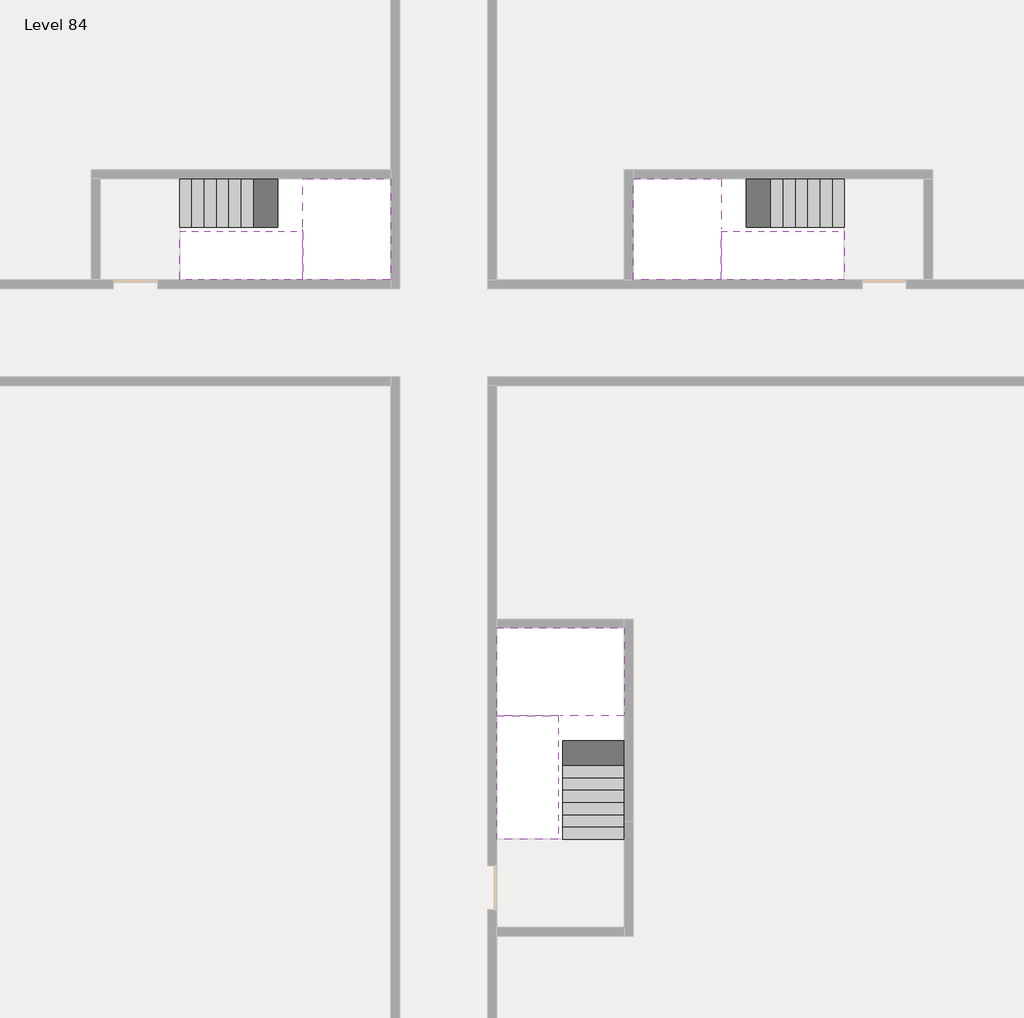
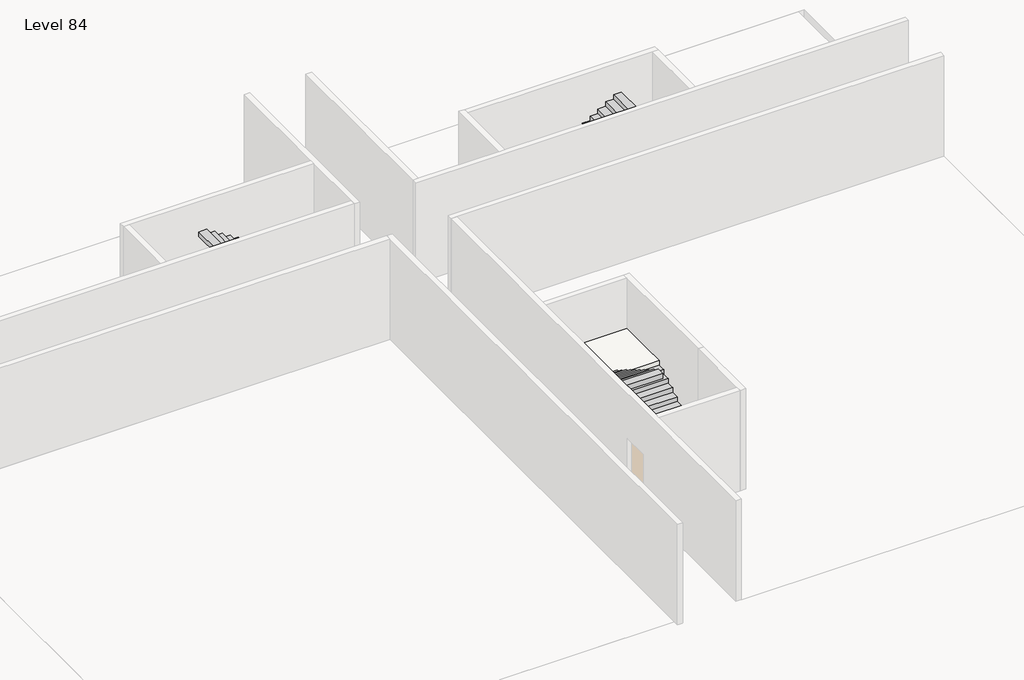
# One storey, part 2 of 2: 6 stair flights, 3 slabs.
"""IFC4 building model written with IfcOpenShell, lengths in millimetres."""

from ifc_helpers import new_model, si_unit, origin, place, context, project, spatial, faceted_brep, element, save

model = new_model("IFC4")

# Units and contexts
model_context = context("Model", 3, world=origin())
ifc_project = project(units=[si_unit("LENGTHUNIT", "METRE", prefix="MILLI")], contexts=[model_context])

# Site, building, storey
site = spatial("IfcSite", under=ifc_project)
building = spatial("IfcBuilding", under=site)
storey = spatial("IfcBuildingStorey", under=building, Name="Level 84", Elevation=315400.0)

# Slabs
placement = place(None, origin())
element("IfcSlab", 1, at=placement, inside=storey, context=model_context, shape_type="Brep", body=[
    faceted_brep([(26890.1058784, -40418.09644, 317300.0), (28290.1058784, -40418.09644, 317300.0), (28290.1058784, -40338.7100038, 317300.0), (28290.1058784, -38418.09644, 317300.0), (25390.1058784, -38418.09644, 317300.0), (25390.1058784, -40217.4828763, 317300.0), (25390.1058784, -40418.09644, 317300.0), (26790.1058784, -40418.09644, 317300.0), (26890.1058784, -40418.09644, 317000.0), (26890.1058784, -40418.09644, 316951.0278478), (28290.1058784, -40418.09644, 316951.0278478), (28290.1058784, -40418.09644, 317127.2727273), (28290.1058784, -40338.7100038, 317000.0), (28290.1058784, -38418.09644, 317000.0), (25390.1058784, -38418.09644, 317000.0), (25390.1058784, -40217.4828763, 317000.0), (25390.1058784, -40418.09644, 317123.7551205), (26790.1058784, -40418.09644, 317123.7551205), (26790.1058784, -40418.09644, 317000.0), (26790.1058784, -40217.4828763, 317000.0), (26890.1058784, -40338.7100038, 317000.0)], [[[0, 1, 2, 3, 4, 5, 6, 7]], [[1, 0, 8, 9, 10, 11]], [[1, 11, 10, 12, 13, 3, 2]], [[4, 3, 13, 14]], [[4, 14, 15, 16, 6, 5]], [[7, 6, 16, 17]], [[0, 7, 17, 18, 8]], [[18, 19, 15, 14, 13, 12, 20, 8]], [[19, 18, 17]], [[20, 12, 10, 9]], [[8, 20, 9]], [[15, 19, 17, 16]]]),
])
element("IfcSlab", 2, at=placement, inside=storey, context=model_context, shape_type="Brep", body=[
    faceted_brep([(20990.1058784, -28218.09644, 317300.0), (20990.1058784, -29318.09644, 317300.0), (20990.1058784, -29418.09644, 317300.0), (20990.1058784, -30518.09644, 317300.0), (21190.7194421, -30518.09644, 317300.0), (22990.1058784, -30518.09644, 317300.0), (22990.1058784, -28218.09644, 317300.0), (21069.4923146, -28218.09644, 317300.0), (20990.1058784, -28218.09644, 317127.2727273), (20990.1058784, -28218.09644, 316951.0278478), (20990.1058784, -29318.09644, 316951.0278478), (20990.1058784, -29318.09644, 317000.0), (20990.1058784, -29418.09644, 317000.0), (20990.1058784, -29418.09644, 317123.7551205), (20990.1058784, -30518.09644, 317123.7551205), (21190.7194421, -30518.09644, 317000.0), (22990.1058784, -30518.09644, 317000.0), (22990.1058784, -28218.09644, 317000.0), (21069.4923146, -28218.09644, 317000.0), (21190.7194421, -29418.09644, 317000.0), (21069.4923146, -29318.09644, 317000.0)], [[[0, 1, 2, 3, 4, 5, 6, 7]], [[1, 0, 8, 9, 10, 11]], [[2, 1, 11, 12, 13]], [[3, 2, 13, 14]], [[3, 14, 15, 16, 5, 4]], [[6, 5, 16, 17]], [[9, 8, 0, 7, 6, 17, 18]], [[19, 12, 11, 20, 18, 17, 16, 15]], [[12, 19, 13]], [[18, 20, 10, 9]], [[20, 11, 10]], [[19, 15, 14, 13]]]),
])
element("IfcSlab", 3, at=placement, inside=storey, context=model_context, shape_type="Brep", body=[
    faceted_brep([(30490.1058784, -29318.09644, 317300.0), (30490.1058784, -28218.09644, 317300.0), (30410.7194421, -28218.09644, 317300.0), (28490.1058784, -28218.09644, 317300.0), (28490.1058784, -30518.09644, 317300.0), (30289.4923146, -30518.09644, 317300.0), (30490.1058784, -30518.09644, 317300.0), (30490.1058784, -29418.09644, 317300.0), (30490.1058784, -29318.09644, 317000.0), (30490.1058784, -29318.09644, 316951.0278478), (30490.1058784, -28218.09644, 316951.0278478), (30490.1058784, -28218.09644, 317127.2727273), (30490.1058784, -29418.09644, 317123.7551205), (30490.1058784, -29418.09644, 317000.0), (30490.1058784, -30518.09644, 317123.7551205), (28490.1058784, -30518.09644, 317000.0), (30289.4923146, -30518.09644, 317000.0), (28490.1058784, -28218.09644, 317000.0), (30410.7194421, -28218.09644, 317000.0), (30289.4923146, -29418.09644, 317000.0), (30410.7194421, -29318.09644, 317000.0)], [[[0, 1, 2, 3, 4, 5, 6, 7]], [[1, 0, 8, 9, 10, 11]], [[0, 7, 12, 13, 8]], [[7, 6, 14, 12]], [[4, 15, 16, 14, 6, 5]], [[4, 3, 17, 15]], [[1, 11, 10, 18, 17, 3, 2]], [[13, 19, 16, 15, 17, 18, 20, 8]], [[20, 18, 10, 9]], [[8, 20, 9]], [[16, 19, 12, 14]], [[19, 13, 12]]]),
])

# Stair flights
element("IfcStairFlight", 4, at=placement, inside=storey, context=model_context, shape_type="Brep", body=[
    faceted_brep([(26890.1058784, -42938.09644, 315572.7272727), (26890.1058784, -43218.09644, 315572.7272727), (28290.1058784, -43218.09644, 315572.7272727), (28290.1058784, -42938.09644, 315572.7272727), (26890.1058784, -42938.09644, 315400.0), (26890.1058784, -43218.09644, 315400.0), (28290.1058784, -43218.09644, 315400.0), (28290.1058784, -42938.09644, 315400.0), (26890.1058784, -42658.09644, 315745.4545455), (26890.1058784, -42938.09644, 315745.4545455), (28290.1058784, -42938.09644, 315745.4545455), (28290.1058784, -42658.09644, 315745.4545455), (26890.1058784, -42658.09644, 315569.209666), (26890.1058784, -42932.3942143, 315400.0), (28290.1058784, -42932.3942143, 315400.0), (28290.1058784, -42658.09644, 315569.209666), (26890.1058784, -42378.09644, 315918.1818182), (26890.1058784, -42658.09644, 315918.1818182), (28290.1058784, -42658.09644, 315918.1818182), (28290.1058784, -42378.09644, 315918.1818182), (26890.1058784, -42378.09644, 315741.9369387), (28290.1058784, -42378.09644, 315741.9369387), (26890.1058784, -42098.09644, 316090.9090909), (26890.1058784, -42378.09644, 316090.9090909), (28290.1058784, -42378.09644, 316090.9090909), (28290.1058784, -42098.09644, 316090.9090909), (26890.1058784, -42098.09644, 315914.6642114), (28290.1058784, -42098.09644, 315914.6642114), (26890.1058784, -41818.09644, 316263.6363636), (26890.1058784, -42098.09644, 316263.6363636), (28290.1058784, -42098.09644, 316263.6363636), (28290.1058784, -41818.09644, 316263.6363636), (26890.1058784, -41818.09644, 316087.3914841), (28290.1058784, -41818.09644, 316087.3914841), (26890.1058784, -41538.09644, 316436.3636364), (26890.1058784, -41818.09644, 316436.3636364), (28290.1058784, -41818.09644, 316436.3636364), (28290.1058784, -41538.09644, 316436.3636364), (26890.1058784, -41538.09644, 316260.1187569), (28290.1058784, -41538.09644, 316260.1187569), (26890.1058784, -41258.09644, 316609.0909091), (26890.1058784, -41538.09644, 316609.0909091), (28290.1058784, -41538.09644, 316609.0909091), (28290.1058784, -41258.09644, 316609.0909091), (26890.1058784, -41258.09644, 316432.8460296), (28290.1058784, -41258.09644, 316432.8460296), (26890.1058784, -40978.09644, 316781.8181818), (26890.1058784, -41258.09644, 316781.8181818), (28290.1058784, -41258.09644, 316781.8181818), (28290.1058784, -40978.09644, 316781.8181818), (26890.1058784, -40978.09644, 316605.5733023), (28290.1058784, -40978.09644, 316605.5733023), (26890.1058784, -40698.09644, 316954.5454545), (26890.1058784, -40978.09644, 316954.5454545), (28290.1058784, -40978.09644, 316954.5454545), (28290.1058784, -40698.09644, 316954.5454545), (26890.1058784, -40698.09644, 316778.3005751), (28290.1058784, -40698.09644, 316778.3005751), (26890.1058784, -40418.09644, 317127.2727273), (26890.1058784, -40698.09644, 317127.2727273), (28290.1058784, -40698.09644, 317127.2727273), (28290.1058784, -40418.09644, 317127.2727273), (26890.1058784, -40418.09644, 317000.0), (26890.1058784, -40418.09644, 316951.0278478), (28290.1058784, -40418.09644, 316951.0278478)], [[[0, 1, 2, 3]], [[1, 0, 4, 5]], [[2, 1, 5, 6]], [[3, 2, 6, 7]], [[8, 9, 10, 11]], [[4, 0, 9, 8, 12, 13]], [[0, 3, 10, 9]], [[3, 7, 14, 15, 11, 10]], [[16, 17, 18, 19]], [[17, 16, 20, 12, 8]], [[8, 11, 18, 17]], [[19, 18, 11, 15, 21]], [[22, 23, 24, 25]], [[23, 22, 26, 20, 16]], [[16, 19, 24, 23]], [[25, 24, 19, 21, 27]], [[28, 29, 30, 31]], [[29, 28, 32, 26, 22]], [[22, 25, 30, 29]], [[31, 30, 25, 27, 33]], [[34, 35, 36, 37]], [[35, 34, 38, 32, 28]], [[28, 31, 36, 35]], [[37, 36, 31, 33, 39]], [[40, 41, 42, 43]], [[41, 40, 44, 38, 34]], [[34, 37, 42, 41]], [[43, 42, 37, 39, 45]], [[46, 47, 48, 49]], [[47, 46, 50, 44, 40]], [[40, 43, 48, 47]], [[49, 48, 43, 45, 51]], [[52, 53, 54, 55]], [[53, 52, 56, 50, 46]], [[46, 49, 54, 53]], [[55, 54, 49, 51, 57]], [[58, 59, 60, 61]], [[59, 58, 62, 63, 56, 52]], [[52, 55, 60, 59]], [[61, 60, 55, 57, 64]], [[58, 61, 64, 63, 62]], [[5, 4, 13, 14, 7, 6]], [[14, 13, 12, 20, 26, 32, 38, 44, 50, 56, 63, 64, 57, 51, 45, 39, 33, 27, 21, 15]]]),
])
element("IfcStairFlight", 5, at=placement, inside=storey, context=model_context, shape_type="Brep", body=[
    faceted_brep([(26790.1058784, -40698.09644, 317472.7272727), (26790.1058784, -40418.09644, 317472.7272727), (25390.1058784, -40418.09644, 317472.7272727), (25390.1058784, -40698.09644, 317472.7272727), (26790.1058784, -40698.09644, 317296.4823932), (26790.1058784, -40418.09644, 317123.7551205), (25390.1058784, -40418.09644, 317123.7551205), (25390.1058784, -40418.09644, 317300.0), (25390.1058784, -40698.09644, 317296.4823932), (26790.1058784, -40978.09644, 317645.4545455), (26790.1058784, -40698.09644, 317645.4545455), (25390.1058784, -40698.09644, 317645.4545455), (25390.1058784, -40978.09644, 317645.4545455), (26790.1058784, -40978.09644, 317469.209666), (25390.1058784, -40978.09644, 317469.209666), (26790.1058784, -41258.09644, 317818.1818182), (26790.1058784, -40978.09644, 317818.1818182), (25390.1058784, -40978.09644, 317818.1818182), (25390.1058784, -41258.09644, 317818.1818182), (26790.1058784, -41258.09644, 317641.9369387), (25390.1058784, -41258.09644, 317641.9369387), (26790.1058784, -41538.09644, 317990.9090909), (26790.1058784, -41258.09644, 317990.9090909), (25390.1058784, -41258.09644, 317990.9090909), (25390.1058784, -41538.09644, 317990.9090909), (26790.1058784, -41538.09644, 317814.6642114), (25390.1058784, -41538.09644, 317814.6642114), (26790.1058784, -41818.09644, 318163.6363636), (26790.1058784, -41538.09644, 318163.6363636), (25390.1058784, -41538.09644, 318163.6363636), (25390.1058784, -41818.09644, 318163.6363636), (26790.1058784, -41818.09644, 317987.3914841), (25390.1058784, -41818.09644, 317987.3914841), (26790.1058784, -42098.09644, 318336.3636364), (26790.1058784, -41818.09644, 318336.3636364), (25390.1058784, -41818.09644, 318336.3636364), (25390.1058784, -42098.09644, 318336.3636364), (26790.1058784, -42098.09644, 318160.1187569), (25390.1058784, -42098.09644, 318160.1187569), (26790.1058784, -42378.09644, 318509.0909091), (26790.1058784, -42098.09644, 318509.0909091), (25390.1058784, -42098.09644, 318509.0909091), (25390.1058784, -42378.09644, 318509.0909091), (26790.1058784, -42378.09644, 318332.8460296), (25390.1058784, -42378.09644, 318332.8460296), (26790.1058784, -42658.09644, 318681.8181818), (26790.1058784, -42378.09644, 318681.8181818), (25390.1058784, -42378.09644, 318681.8181818), (25390.1058784, -42658.09644, 318681.8181818), (26790.1058784, -42658.09644, 318505.5733023), (25390.1058784, -42658.09644, 318505.5733023), (26790.1058784, -42938.09644, 318854.5454545), (26790.1058784, -42658.09644, 318854.5454545), (25390.1058784, -42658.09644, 318854.5454545), (25390.1058784, -42938.09644, 318854.5454545), (26790.1058784, -42938.09644, 318678.3005751), (25390.1058784, -42938.09644, 318678.3005751), (26790.1058784, -43218.09644, 319027.2727273), (26790.1058784, -42938.09644, 319027.2727273), (25390.1058784, -42938.09644, 319027.2727273), (25390.1058784, -43218.09644, 319027.2727273), (26790.1058784, -43218.09644, 318851.0278478), (25390.1058784, -43218.09644, 318851.0278478)], [[[0, 1, 2, 3]], [[1, 0, 4, 5]], [[2, 1, 5, 6, 7]], [[3, 2, 7, 6, 8]], [[9, 10, 11, 12]], [[10, 9, 13, 4, 0]], [[11, 10, 0, 3]], [[12, 11, 3, 8, 14]], [[15, 16, 17, 18]], [[16, 15, 19, 13, 9]], [[17, 16, 9, 12]], [[18, 17, 12, 14, 20]], [[21, 22, 23, 24]], [[22, 21, 25, 19, 15]], [[23, 22, 15, 18]], [[24, 23, 18, 20, 26]], [[27, 28, 29, 30]], [[28, 27, 31, 25, 21]], [[29, 28, 21, 24]], [[30, 29, 24, 26, 32]], [[33, 34, 35, 36]], [[34, 33, 37, 31, 27]], [[35, 34, 27, 30]], [[36, 35, 30, 32, 38]], [[39, 40, 41, 42]], [[40, 39, 43, 37, 33]], [[41, 40, 33, 36]], [[42, 41, 36, 38, 44]], [[45, 46, 47, 48]], [[46, 45, 49, 43, 39]], [[47, 46, 39, 42]], [[48, 47, 42, 44, 50]], [[51, 52, 53, 54]], [[52, 51, 55, 49, 45]], [[53, 52, 45, 48]], [[54, 53, 48, 50, 56]], [[57, 58, 59, 60]], [[58, 57, 61, 55, 51]], [[59, 58, 51, 54]], [[60, 59, 54, 56, 62]], [[57, 60, 62, 61]], [[5, 4, 13, 19, 25, 31, 37, 43, 49, 55, 61, 62, 56, 50, 44, 38, 32, 26, 20, 14, 8, 6]]]),
])
element("IfcStairFlight", 6, at=placement, inside=storey, context=model_context, shape_type="Brep", body=[
    faceted_brep([(18470.1058784, -28218.09644, 315572.7272727), (18190.1058784, -28218.09644, 315572.7272727), (18190.1058784, -29318.09644, 315572.7272727), (18470.1058784, -29318.09644, 315572.7272727), (18470.1058784, -28218.09644, 315400.0), (18190.1058784, -28218.09644, 315400.0), (18190.1058784, -29318.09644, 315400.0), (18470.1058784, -29318.09644, 315400.0), (18750.1058784, -28218.09644, 315745.4545455), (18470.1058784, -28218.09644, 315745.4545455), (18470.1058784, -29318.09644, 315745.4545455), (18750.1058784, -29318.09644, 315745.4545455), (18750.1058784, -28218.09644, 315569.209666), (18475.8081041, -28218.09644, 315400.0), (18475.8081041, -29318.09644, 315400.0), (18750.1058784, -29318.09644, 315569.209666), (19030.1058784, -28218.09644, 315918.1818182), (18750.1058784, -28218.09644, 315918.1818182), (18750.1058784, -29318.09644, 315918.1818182), (19030.1058784, -29318.09644, 315918.1818182), (19030.1058784, -28218.09644, 315741.9369387), (19030.1058784, -29318.09644, 315741.9369387), (19310.1058784, -28218.09644, 316090.9090909), (19030.1058784, -28218.09644, 316090.9090909), (19030.1058784, -29318.09644, 316090.9090909), (19310.1058784, -29318.09644, 316090.9090909), (19310.1058784, -28218.09644, 315914.6642114), (19310.1058784, -29318.09644, 315914.6642114), (19590.1058784, -28218.09644, 316263.6363636), (19310.1058784, -28218.09644, 316263.6363636), (19310.1058784, -29318.09644, 316263.6363636), (19590.1058784, -29318.09644, 316263.6363636), (19590.1058784, -28218.09644, 316087.3914841), (19590.1058784, -29318.09644, 316087.3914841), (19870.1058784, -28218.09644, 316436.3636364), (19590.1058784, -28218.09644, 316436.3636364), (19590.1058784, -29318.09644, 316436.3636364), (19870.1058784, -29318.09644, 316436.3636364), (19870.1058784, -28218.09644, 316260.1187569), (19870.1058784, -29318.09644, 316260.1187569), (20150.1058784, -28218.09644, 316609.0909091), (19870.1058784, -28218.09644, 316609.0909091), (19870.1058784, -29318.09644, 316609.0909091), (20150.1058784, -29318.09644, 316609.0909091), (20150.1058784, -28218.09644, 316432.8460296), (20150.1058784, -29318.09644, 316432.8460296), (20430.1058784, -28218.09644, 316781.8181818), (20150.1058784, -28218.09644, 316781.8181818), (20150.1058784, -29318.09644, 316781.8181818), (20430.1058784, -29318.09644, 316781.8181818), (20430.1058784, -28218.09644, 316605.5733023), (20430.1058784, -29318.09644, 316605.5733023), (20710.1058784, -28218.09644, 316954.5454545), (20430.1058784, -28218.09644, 316954.5454545), (20430.1058784, -29318.09644, 316954.5454545), (20710.1058784, -29318.09644, 316954.5454545), (20710.1058784, -28218.09644, 316778.3005751), (20710.1058784, -29318.09644, 316778.3005751), (20990.1058784, -28218.09644, 317127.2727273), (20710.1058784, -28218.09644, 317127.2727273), (20710.1058784, -29318.09644, 317127.2727273), (20990.1058784, -29318.09644, 317127.2727273), (20990.1058784, -28218.09644, 316951.0278478), (20990.1058784, -29318.09644, 316951.0278478), (20990.1058784, -29318.09644, 317000.0)], [[[0, 1, 2, 3]], [[1, 0, 4, 5]], [[2, 1, 5, 6]], [[3, 2, 6, 7]], [[8, 9, 10, 11]], [[4, 0, 9, 8, 12, 13]], [[0, 3, 10, 9]], [[3, 7, 14, 15, 11, 10]], [[16, 17, 18, 19]], [[17, 16, 20, 12, 8]], [[8, 11, 18, 17]], [[19, 18, 11, 15, 21]], [[22, 23, 24, 25]], [[23, 22, 26, 20, 16]], [[16, 19, 24, 23]], [[25, 24, 19, 21, 27]], [[28, 29, 30, 31]], [[29, 28, 32, 26, 22]], [[22, 25, 30, 29]], [[31, 30, 25, 27, 33]], [[34, 35, 36, 37]], [[35, 34, 38, 32, 28]], [[28, 31, 36, 35]], [[37, 36, 31, 33, 39]], [[40, 41, 42, 43]], [[41, 40, 44, 38, 34]], [[34, 37, 42, 41]], [[43, 42, 37, 39, 45]], [[46, 47, 48, 49]], [[47, 46, 50, 44, 40]], [[40, 43, 48, 47]], [[49, 48, 43, 45, 51]], [[52, 53, 54, 55]], [[53, 52, 56, 50, 46]], [[46, 49, 54, 53]], [[55, 54, 49, 51, 57]], [[58, 59, 60, 61]], [[59, 58, 62, 56, 52]], [[52, 55, 60, 59]], [[61, 60, 55, 57, 63, 64]], [[58, 61, 64, 63, 62]], [[5, 4, 13, 14, 7, 6]], [[14, 13, 12, 20, 26, 32, 38, 44, 50, 56, 62, 63, 57, 51, 45, 39, 33, 27, 21, 15]]]),
])
element("IfcStairFlight", 7, at=placement, inside=storey, context=model_context, shape_type="Brep", body=[
    faceted_brep([(20710.1058784, -30518.09644, 317472.7272727), (20990.1058784, -30518.09644, 317472.7272727), (20990.1058784, -29418.09644, 317472.7272727), (20710.1058784, -29418.09644, 317472.7272727), (20710.1058784, -30518.09644, 317296.4823932), (20990.1058784, -30518.09644, 317123.7551205), (20990.1058784, -30518.09644, 317300.0), (20990.1058784, -29418.09644, 317123.7551205), (20710.1058784, -29418.09644, 317296.4823932), (20430.1058784, -30518.09644, 317645.4545455), (20710.1058784, -30518.09644, 317645.4545455), (20710.1058784, -29418.09644, 317645.4545455), (20430.1058784, -29418.09644, 317645.4545455), (20430.1058784, -30518.09644, 317469.209666), (20430.1058784, -29418.09644, 317469.209666), (20150.1058784, -30518.09644, 317818.1818182), (20430.1058784, -30518.09644, 317818.1818182), (20430.1058784, -29418.09644, 317818.1818182), (20150.1058784, -29418.09644, 317818.1818182), (20150.1058784, -30518.09644, 317641.9369387), (20150.1058784, -29418.09644, 317641.9369387), (19870.1058784, -30518.09644, 317990.9090909), (20150.1058784, -30518.09644, 317990.9090909), (20150.1058784, -29418.09644, 317990.9090909), (19870.1058784, -29418.09644, 317990.9090909), (19870.1058784, -30518.09644, 317814.6642114), (19870.1058784, -29418.09644, 317814.6642114), (19590.1058784, -30518.09644, 318163.6363636), (19870.1058784, -30518.09644, 318163.6363636), (19870.1058784, -29418.09644, 318163.6363636), (19590.1058784, -29418.09644, 318163.6363636), (19590.1058784, -30518.09644, 317987.3914841), (19590.1058784, -29418.09644, 317987.3914841), (19310.1058784, -30518.09644, 318336.3636364), (19590.1058784, -30518.09644, 318336.3636364), (19590.1058784, -29418.09644, 318336.3636364), (19310.1058784, -29418.09644, 318336.3636364), (19310.1058784, -30518.09644, 318160.1187569), (19310.1058784, -29418.09644, 318160.1187569), (19030.1058784, -30518.09644, 318509.0909091), (19310.1058784, -30518.09644, 318509.0909091), (19310.1058784, -29418.09644, 318509.0909091), (19030.1058784, -29418.09644, 318509.0909091), (19030.1058784, -30518.09644, 318332.8460296), (19030.1058784, -29418.09644, 318332.8460296), (18750.1058784, -30518.09644, 318681.8181818), (19030.1058784, -30518.09644, 318681.8181818), (19030.1058784, -29418.09644, 318681.8181818), (18750.1058784, -29418.09644, 318681.8181818), (18750.1058784, -30518.09644, 318505.5733023), (18750.1058784, -29418.09644, 318505.5733023), (18470.1058784, -30518.09644, 318854.5454545), (18750.1058784, -30518.09644, 318854.5454545), (18750.1058784, -29418.09644, 318854.5454545), (18470.1058784, -29418.09644, 318854.5454545), (18470.1058784, -30518.09644, 318678.3005751), (18470.1058784, -29418.09644, 318678.3005751), (18190.1058784, -30518.09644, 319027.2727273), (18470.1058784, -30518.09644, 319027.2727273), (18470.1058784, -29418.09644, 319027.2727273), (18190.1058784, -29418.09644, 319027.2727273), (18190.1058784, -30518.09644, 318851.0278478), (18190.1058784, -29418.09644, 318851.0278478)], [[[0, 1, 2, 3]], [[1, 0, 4, 5, 6]], [[2, 1, 6, 5, 7]], [[3, 2, 7, 8]], [[9, 10, 11, 12]], [[10, 9, 13, 4, 0]], [[11, 10, 0, 3]], [[12, 11, 3, 8, 14]], [[15, 16, 17, 18]], [[16, 15, 19, 13, 9]], [[17, 16, 9, 12]], [[18, 17, 12, 14, 20]], [[21, 22, 23, 24]], [[22, 21, 25, 19, 15]], [[23, 22, 15, 18]], [[24, 23, 18, 20, 26]], [[27, 28, 29, 30]], [[28, 27, 31, 25, 21]], [[29, 28, 21, 24]], [[30, 29, 24, 26, 32]], [[33, 34, 35, 36]], [[34, 33, 37, 31, 27]], [[35, 34, 27, 30]], [[36, 35, 30, 32, 38]], [[39, 40, 41, 42]], [[40, 39, 43, 37, 33]], [[41, 40, 33, 36]], [[42, 41, 36, 38, 44]], [[45, 46, 47, 48]], [[46, 45, 49, 43, 39]], [[47, 46, 39, 42]], [[48, 47, 42, 44, 50]], [[51, 52, 53, 54]], [[52, 51, 55, 49, 45]], [[53, 52, 45, 48]], [[54, 53, 48, 50, 56]], [[57, 58, 59, 60]], [[58, 57, 61, 55, 51]], [[59, 58, 51, 54]], [[60, 59, 54, 56, 62]], [[57, 60, 62, 61]], [[5, 4, 13, 19, 25, 31, 37, 43, 49, 55, 61, 62, 56, 50, 44, 38, 32, 26, 20, 14, 8, 7]]]),
])
element("IfcStairFlight", 8, at=placement, inside=storey, context=model_context, shape_type="Brep", body=[
    faceted_brep([(33010.1058784, -29318.09644, 315572.7272727), (33290.1058784, -29318.09644, 315572.7272727), (33290.1058784, -28218.09644, 315572.7272727), (33010.1058784, -28218.09644, 315572.7272727), (33290.1058784, -28218.09644, 315400.0), (33010.1058784, -28218.09644, 315400.0), (33290.1058784, -29318.09644, 315400.0), (33010.1058784, -29318.09644, 315400.0), (32730.1058784, -29318.09644, 315745.4545455), (33010.1058784, -29318.09644, 315745.4545455), (33010.1058784, -28218.09644, 315745.4545455), (32730.1058784, -28218.09644, 315745.4545455), (33004.4036527, -28218.09644, 315400.0), (32730.1058784, -28218.09644, 315569.209666), (32730.1058784, -29318.09644, 315569.209666), (33004.4036527, -29318.09644, 315400.0), (32450.1058784, -29318.09644, 315918.1818182), (32730.1058784, -29318.09644, 315918.1818182), (32730.1058784, -28218.09644, 315918.1818182), (32450.1058784, -28218.09644, 315918.1818182), (32450.1058784, -28218.09644, 315741.9369387), (32450.1058784, -29318.09644, 315741.9369387), (32170.1058784, -29318.09644, 316090.9090909), (32450.1058784, -29318.09644, 316090.9090909), (32450.1058784, -28218.09644, 316090.9090909), (32170.1058784, -28218.09644, 316090.9090909), (32170.1058784, -28218.09644, 315914.6642114), (32170.1058784, -29318.09644, 315914.6642114), (31890.1058784, -29318.09644, 316263.6363636), (32170.1058784, -29318.09644, 316263.6363636), (32170.1058784, -28218.09644, 316263.6363636), (31890.1058784, -28218.09644, 316263.6363636), (31890.1058784, -28218.09644, 316087.3914841), (31890.1058784, -29318.09644, 316087.3914841), (31610.1058784, -29318.09644, 316436.3636364), (31890.1058784, -29318.09644, 316436.3636364), (31890.1058784, -28218.09644, 316436.3636364), (31610.1058784, -28218.09644, 316436.3636364), (31610.1058784, -28218.09644, 316260.1187569), (31610.1058784, -29318.09644, 316260.1187569), (31330.1058784, -29318.09644, 316609.0909091), (31610.1058784, -29318.09644, 316609.0909091), (31610.1058784, -28218.09644, 316609.0909091), (31330.1058784, -28218.09644, 316609.0909091), (31330.1058784, -28218.09644, 316432.8460296), (31330.1058784, -29318.09644, 316432.8460296), (31050.1058784, -29318.09644, 316781.8181818), (31330.1058784, -29318.09644, 316781.8181818), (31330.1058784, -28218.09644, 316781.8181818), (31050.1058784, -28218.09644, 316781.8181818), (31050.1058784, -28218.09644, 316605.5733023), (31050.1058784, -29318.09644, 316605.5733023), (30770.1058784, -29318.09644, 316954.5454545), (31050.1058784, -29318.09644, 316954.5454545), (31050.1058784, -28218.09644, 316954.5454545), (30770.1058784, -28218.09644, 316954.5454545), (30770.1058784, -28218.09644, 316778.3005751), (30770.1058784, -29318.09644, 316778.3005751), (30490.1058784, -29318.09644, 317127.2727273), (30770.1058784, -29318.09644, 317127.2727273), (30770.1058784, -28218.09644, 317127.2727273), (30490.1058784, -28218.09644, 317127.2727273), (30490.1058784, -28218.09644, 316951.0278478), (30490.1058784, -29318.09644, 317000.0), (30490.1058784, -29318.09644, 316951.0278478)], [[[0, 1, 2, 3]], [[3, 2, 4, 5]], [[2, 1, 6, 4]], [[1, 0, 7, 6]], [[8, 9, 10, 11]], [[3, 5, 12, 13, 11, 10]], [[0, 3, 10, 9]], [[7, 0, 9, 8, 14, 15]], [[16, 17, 18, 19]], [[19, 18, 11, 13, 20]], [[8, 11, 18, 17]], [[17, 16, 21, 14, 8]], [[22, 23, 24, 25]], [[25, 24, 19, 20, 26]], [[16, 19, 24, 23]], [[23, 22, 27, 21, 16]], [[28, 29, 30, 31]], [[31, 30, 25, 26, 32]], [[22, 25, 30, 29]], [[29, 28, 33, 27, 22]], [[34, 35, 36, 37]], [[37, 36, 31, 32, 38]], [[28, 31, 36, 35]], [[35, 34, 39, 33, 28]], [[40, 41, 42, 43]], [[43, 42, 37, 38, 44]], [[34, 37, 42, 41]], [[41, 40, 45, 39, 34]], [[46, 47, 48, 49]], [[49, 48, 43, 44, 50]], [[40, 43, 48, 47]], [[47, 46, 51, 45, 40]], [[52, 53, 54, 55]], [[55, 54, 49, 50, 56]], [[46, 49, 54, 53]], [[53, 52, 57, 51, 46]], [[58, 59, 60, 61]], [[61, 60, 55, 56, 62]], [[52, 55, 60, 59]], [[59, 58, 63, 64, 57, 52]], [[58, 61, 62, 64, 63]], [[6, 7, 15, 12, 5, 4]], [[12, 15, 14, 21, 27, 33, 39, 45, 51, 57, 64, 62, 56, 50, 44, 38, 32, 26, 20, 13]]]),
])
element("IfcStairFlight", 9, at=placement, inside=storey, context=model_context, shape_type="Brep", body=[
    faceted_brep([(30770.1058784, -29418.09644, 317472.7272727), (30490.1058784, -29418.09644, 317472.7272727), (30490.1058784, -30518.09644, 317472.7272727), (30770.1058784, -30518.09644, 317472.7272727), (30490.1058784, -30518.09644, 317300.0), (30490.1058784, -30518.09644, 317123.7551205), (30770.1058784, -30518.09644, 317296.4823932), (30490.1058784, -29418.09644, 317123.7551205), (30770.1058784, -29418.09644, 317296.4823932), (31050.1058784, -29418.09644, 317645.4545455), (30770.1058784, -29418.09644, 317645.4545455), (30770.1058784, -30518.09644, 317645.4545455), (31050.1058784, -30518.09644, 317645.4545455), (31050.1058784, -30518.09644, 317469.209666), (31050.1058784, -29418.09644, 317469.209666), (31330.1058784, -29418.09644, 317818.1818182), (31050.1058784, -29418.09644, 317818.1818182), (31050.1058784, -30518.09644, 317818.1818182), (31330.1058784, -30518.09644, 317818.1818182), (31330.1058784, -30518.09644, 317641.9369387), (31330.1058784, -29418.09644, 317641.9369387), (31610.1058784, -29418.09644, 317990.9090909), (31330.1058784, -29418.09644, 317990.9090909), (31330.1058784, -30518.09644, 317990.9090909), (31610.1058784, -30518.09644, 317990.9090909), (31610.1058784, -30518.09644, 317814.6642114), (31610.1058784, -29418.09644, 317814.6642114), (31890.1058784, -29418.09644, 318163.6363636), (31610.1058784, -29418.09644, 318163.6363636), (31610.1058784, -30518.09644, 318163.6363636), (31890.1058784, -30518.09644, 318163.6363636), (31890.1058784, -30518.09644, 317987.3914841), (31890.1058784, -29418.09644, 317987.3914841), (32170.1058784, -29418.09644, 318336.3636364), (31890.1058784, -29418.09644, 318336.3636364), (31890.1058784, -30518.09644, 318336.3636364), (32170.1058784, -30518.09644, 318336.3636364), (32170.1058784, -30518.09644, 318160.1187569), (32170.1058784, -29418.09644, 318160.1187569), (32450.1058784, -29418.09644, 318509.0909091), (32170.1058784, -29418.09644, 318509.0909091), (32170.1058784, -30518.09644, 318509.0909091), (32450.1058784, -30518.09644, 318509.0909091), (32450.1058784, -30518.09644, 318332.8460296), (32450.1058784, -29418.09644, 318332.8460296), (32730.1058784, -29418.09644, 318681.8181818), (32450.1058784, -29418.09644, 318681.8181818), (32450.1058784, -30518.09644, 318681.8181818), (32730.1058784, -30518.09644, 318681.8181818), (32730.1058784, -30518.09644, 318505.5733023), (32730.1058784, -29418.09644, 318505.5733023), (33010.1058784, -29418.09644, 318854.5454545), (32730.1058784, -29418.09644, 318854.5454545), (32730.1058784, -30518.09644, 318854.5454545), (33010.1058784, -30518.09644, 318854.5454545), (33010.1058784, -30518.09644, 318678.3005751), (33010.1058784, -29418.09644, 318678.3005751), (33290.1058784, -29418.09644, 319027.2727273), (33010.1058784, -29418.09644, 319027.2727273), (33010.1058784, -30518.09644, 319027.2727273), (33290.1058784, -30518.09644, 319027.2727273), (33290.1058784, -30518.09644, 318851.0278478), (33290.1058784, -29418.09644, 318851.0278478)], [[[0, 1, 2, 3]], [[3, 2, 4, 5, 6]], [[2, 1, 7, 5, 4]], [[1, 0, 8, 7]], [[9, 10, 11, 12]], [[12, 11, 3, 6, 13]], [[11, 10, 0, 3]], [[10, 9, 14, 8, 0]], [[15, 16, 17, 18]], [[18, 17, 12, 13, 19]], [[17, 16, 9, 12]], [[16, 15, 20, 14, 9]], [[21, 22, 23, 24]], [[24, 23, 18, 19, 25]], [[23, 22, 15, 18]], [[22, 21, 26, 20, 15]], [[27, 28, 29, 30]], [[30, 29, 24, 25, 31]], [[29, 28, 21, 24]], [[28, 27, 32, 26, 21]], [[33, 34, 35, 36]], [[36, 35, 30, 31, 37]], [[35, 34, 27, 30]], [[34, 33, 38, 32, 27]], [[39, 40, 41, 42]], [[42, 41, 36, 37, 43]], [[41, 40, 33, 36]], [[40, 39, 44, 38, 33]], [[45, 46, 47, 48]], [[48, 47, 42, 43, 49]], [[47, 46, 39, 42]], [[46, 45, 50, 44, 39]], [[51, 52, 53, 54]], [[54, 53, 48, 49, 55]], [[53, 52, 45, 48]], [[52, 51, 56, 50, 45]], [[57, 58, 59, 60]], [[60, 59, 54, 55, 61]], [[59, 58, 51, 54]], [[58, 57, 62, 56, 51]], [[57, 60, 61, 62]], [[7, 8, 14, 20, 26, 32, 38, 44, 50, 56, 62, 61, 55, 49, 43, 37, 31, 25, 19, 13, 6, 5]]]),
])

save(model, "model.ifc")
